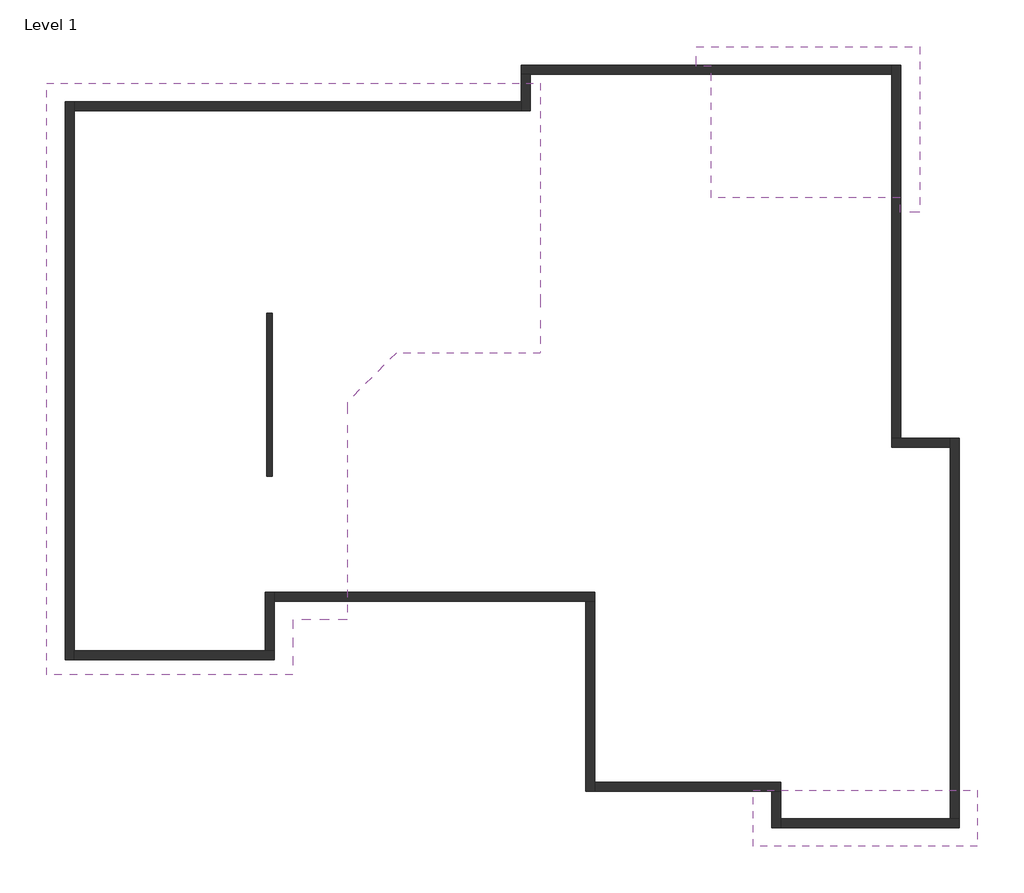
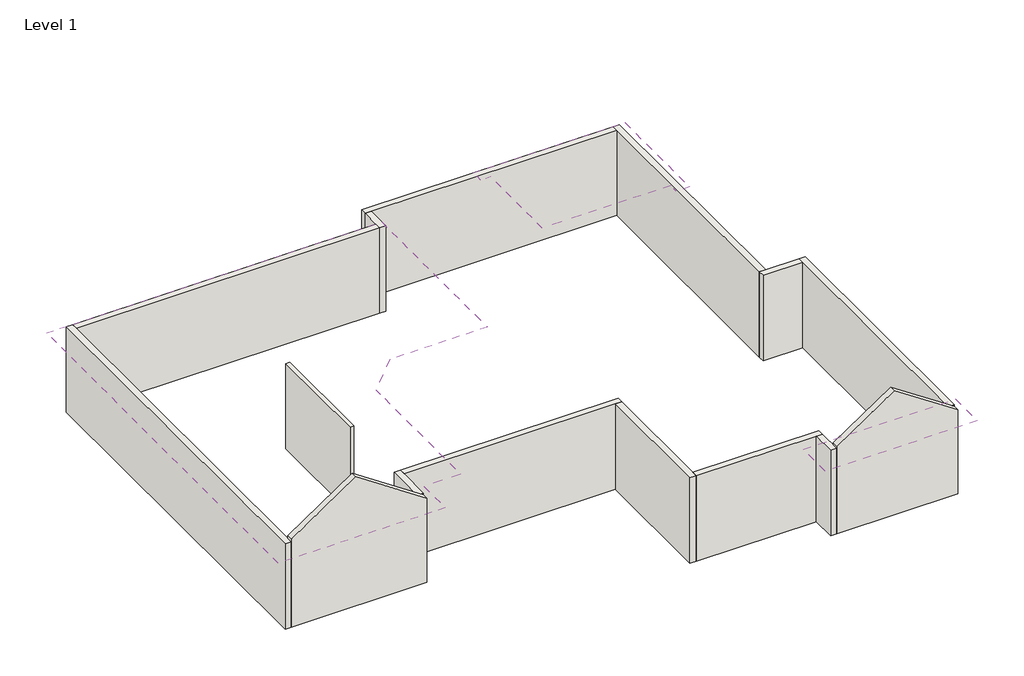
# One storey: 15 walls, 3 roofs.
"""IFC4 building model written with IfcOpenShell, lengths in millimetres."""

from ifc_helpers import new_model, si_unit, frame, origin, origin_with_axes, place, context, project, spatial, polyline, outline, extrude, faceted_brep, element, save

model = new_model("IFC4")

# Units and contexts
model_context = context("Model", 3, world=origin())
ifc_project = project(units=[si_unit("LENGTHUNIT", "METRE", prefix="MILLI")], contexts=[model_context])

# Site, building, storey
site = spatial("IfcSite", under=ifc_project)
building = spatial("IfcBuilding", under=site)
storey = spatial("IfcBuildingStorey", under=building, Name="Level 1", Elevation=0.0)

# Roofs
placement = place(None, origin())
element("IfcRoof", 1, ObjectType="Generic - 12\"", at=placement, inside=storey, context=model_context, shape_type="Brep", body=[
    faceted_brep([(5819.76631, -5743.1064868, 4177.2372995), (3254.36631, -5743.1064868, 2466.975), (3254.36631, 6577.4810132, 2466.975), (8842.36631, 989.4810132, 6192.2988206), (5819.76631, -2033.1189868, 4177.2372995), (8385.16631, -4598.5189868, 2466.975), (8385.16631, -5743.1064868, 2466.975), (3254.36631, -5743.1064868, 2833.2987218), (5819.76631, -5743.1064868, 4543.5610212), (5819.76631, -2033.1189868, 4543.5610212), (8842.36631, 989.4810132, 6558.6225424), (3254.36631, 6577.4810132, 2833.2987218), (8385.16631, -5743.1064868, 2833.2987218), (8385.16631, -4598.5189868, 2833.2987218), (9515.46631, -4598.5189868, 2466.975), (9515.46631, -68.0478077, 5487.281407), (9515.46631, -68.0478077, 5535.0825766), (9515.46631, -545.8328558, 5535.0825766), (9515.46631, -4598.5189868, 2833.2987218), (9951.8062075, 989.4810132, 6192.2988206), (9070.96631, 108.6411157, 5605.0737218), (9070.96631, -440.8458701, 5238.75), (10498.1235017, 986.3113216, 6190.1856982), (13539.77881, 986.3113216, 6190.1856982), (13539.77881, 952.9685132, 6167.9572161), (10536.4826309, 952.9685132, 6167.9572161), (13539.77881, 6577.4810132, 2466.975), (13539.77881, 1633.9953965, 5762.6236623), (12753.96631, 2419.8078965, 5238.75), (12753.96631, 2413.4685132, 5242.9762447), (9070.96631, 2413.4685132, 5242.9762447), (9070.96631, 1870.3209107, 5605.0737218), (9070.96631, -990.3328558, 5238.75), (9070.96631, -440.8458701, 5605.0737218), (10498.1235017, 986.3113216, 6556.50942), (13539.77881, 986.3113216, 6556.50942), (13539.77881, 989.4810132, 6558.6225424), (13539.77881, 1633.9953965, 6128.947384), (12753.96631, 2419.8078965, 5605.0737218), (12753.96631, 2969.2948823, 5238.75), (13539.77881, 2183.4823823, 5762.6236623), (13539.77881, 6577.4810132, 2833.2987218), (13539.77881, 952.9685132, 6212.4141804), (13539.77881, 1627.6560132, 6128.947384), (10533.9744705, 950.4603528, 6214.0862831), (12753.96631, 2413.4685132, 5605.0737218), (9070.96631, 2413.4685132, 5605.0737218), (10536.4826309, 952.9685132, 6212.4141804)], [[[0, 1, 2, 3, 4]], [[0, 4, 5, 6]], [[7, 8, 9, 10, 11]], [[9, 8, 12, 13]], [[13, 12, 6, 5]], [[7, 11, 2, 1]], [[1, 0, 6, 12, 8, 7]], [[14, 15, 16, 17, 18]], [[15, 14, 5, 4, 3, 19, 20, 21, 22, 23, 24, 25]], [[3, 2, 26, 27, 28, 29, 30, 31, 19]], [[13, 18, 17, 32, 33, 34, 35, 36, 10, 9]], [[11, 10, 36, 37, 38, 39, 40, 41]], [[13, 5, 14, 18]], [[11, 41, 26, 2]], [[26, 41, 40, 27]], [[24, 23, 42]], [[36, 35, 43, 37]], [[39, 28, 27, 40]], [[21, 32, 17, 16, 44, 22]], [[45, 38, 37, 43]], [[31, 46, 34, 33, 20, 19]], [[38, 45, 29, 28, 39]], [[46, 31, 30]], [[20, 33, 32, 21]], [[22, 44, 47, 42, 23]], [[46, 45, 43, 35, 34]], [[45, 46, 30, 29]], [[15, 25, 47, 44, 16]], [[25, 24, 42, 47]]]),
])
element("IfcRoof", 2, ObjectType="Generic - 12\"", at=placement, inside=storey, context=model_context, shape_type="SweptSolid", body=[
    extrude(outline(polyline([(2833.2987218, 22647.26631), (4391.1614104, 20310.46631), (2833.2987218, 17973.66631), (2466.975, 17973.66631), (4024.8376886, 20310.46631), (2466.975, 22647.26631), (2833.2987218, 22647.26631)])), frame((0.0, -9322.9189868, 0.0), z_axis=(0.0, 1.0, 0.0), x_axis=(0.0, 0.0, 1.0)), (0.0, 0.0, 1.0), 1168.4),
])
element("IfcRoof", 3, ObjectType="Generic - 12\"", at=placement, inside=storey, context=model_context, shape_type="Brep", body=[
    faceted_brep([(18294.34131, 4193.0560132, 4564.5863104), (17097.36631, 4193.0560132, 4564.5863104), (17097.36631, 6933.0810132, 2737.9076415), (16792.56631, 6933.0810132, 2737.9076415), (16792.56631, 7339.4810132, 2466.975), (21440.76631, 7339.4810132, 2466.975), (21034.36631, 3888.2560132, 2737.9076415), (21034.36631, 4193.0560132, 2737.9076415), (21440.76631, 3888.2560132, 2466.975), (17097.36631, 4193.0560132, 4930.9100321), (18294.34131, 4193.0560132, 4930.9100321), (21440.76631, 7339.4810132, 2833.2987218), (16792.56631, 7339.4810132, 2833.2987218), (16792.56631, 6933.0810132, 3104.2313633), (17097.36631, 6933.0810132, 3104.2313633), (21034.36631, 4193.0560132, 3104.2313633), (21034.36631, 3888.2560132, 3104.2313633), (21440.76631, 3888.2560132, 2833.2987218)], [[[0, 1, 2, 3, 4, 5]], [[6, 7, 0, 5, 8]], [[9, 10, 11, 12, 13, 14]], [[15, 16, 17, 11, 10]], [[5, 11, 17, 8]], [[4, 12, 11, 5]], [[15, 10, 9, 1, 0, 7]], [[9, 14, 2, 1]], [[13, 12, 4, 3]], [[14, 13, 3, 2]], [[16, 15, 7, 6]], [[17, 16, 6, 8]]]),
])

# Walls
element("IfcWall", 4, ObjectType="2x6 Exterior with Vinyl Siding", at=placement, inside=storey, context=model_context, shape_type="Brep", body=[
    faceted_brep([(3641.71631, 6190.1310132, 0.0), (3641.71631, -5430.3689868, 0.0), (3641.71631, -5430.3689868, 2771.775), (3641.71631, 6190.1310132, 2771.775), (3829.04131, 6190.1310132, 0.0), (3829.04131, 6190.1310132, 2771.775), (3829.04131, 6002.8060132, 2771.775), (3829.04131, -5430.3689868, 2771.775), (3829.04131, -5430.3689868, 0.0), (3829.04131, -5243.0439868, 0.0), (3829.04131, 6002.8060132, 0.0)], [[[0, 1, 2, 3]], [[4, 5, 6, 7, 8, 9, 10]], [[1, 0, 4, 10, 9, 8]], [[3, 2, 7, 6, 5]], [[2, 1, 8, 7]], [[0, 3, 5, 4]]]),
])
element("IfcWall", 5, ObjectType="2x6 Exterior with Vinyl Siding", at=placement, inside=storey, context=model_context, shape_type="Brep", body=[
    faceted_brep([(3829.04131, -5430.3689868, 0.0), (7997.81631, -5430.3689868, 0.0), (7997.81631, -5430.3689868, 2725.2076739), (5819.76631, -5430.3689868, 4177.2372995), (3829.04131, -5430.3689868, 2850.0906884), (3829.04131, -5430.3689868, 2771.775), (3829.04131, -5243.0439868, 0.0), (3829.04131, -5243.0439868, 2850.0906884), (5819.76631, -5243.0439868, 4177.2372995), (7997.81631, -5243.0439868, 2725.2076739), (7997.81631, -5243.0439868, 0.0), (7810.49131, -5243.0439868, 0.0)], [[[0, 1, 2, 3, 4, 5]], [[6, 7, 8, 9, 10, 11]], [[1, 0, 6, 11, 10]], [[0, 5, 4, 7, 6]], [[2, 1, 10, 9]], [[4, 3, 8, 7]], [[3, 2, 9, 8]]]),
])
element("IfcWall", 6, ObjectType="2x6 Exterior with Vinyl Siding", at=placement, inside=storey, context=model_context, shape_type="Brep", body=[
    faceted_brep([(7997.81631, -5243.0439868, 0.0), (7997.81631, -4211.1689868, 0.0), (7997.81631, -4023.8439868, 0.0), (7997.81631, -4023.8439868, 2771.775), (7997.81631, -4211.1689868, 2771.775), (7997.81631, -5243.0439868, 2771.775), (7997.81631, -5243.0439868, 2725.2076739), (7810.49131, -5243.0439868, 0.0), (7810.49131, -5243.0439868, 2771.775), (7810.49131, -4023.8439868, 2771.775), (7810.49131, -4023.8439868, 0.0)], [[[0, 1, 2, 3, 4, 5, 6]], [[7, 8, 9, 10]], [[2, 1, 0, 7, 10]], [[5, 4, 3, 9, 8]], [[0, 6, 5, 8, 7]], [[3, 2, 10, 9]]]),
])
element("IfcWall", 7, ObjectType="2x6 Exterior with Vinyl Siding", at=placement, inside=storey, context=model_context, shape_type="Brep", body=[
    faceted_brep([(7997.81631, -4211.1689868, 0.0), (14487.51631, -4211.1689868, 0.0), (14674.84131, -4211.1689868, 0.0), (14674.84131, -4211.1689868, 2771.775), (14487.51631, -4211.1689868, 2771.775), (7997.81631, -4211.1689868, 2771.775), (7997.81631, -4023.8439868, 0.0), (7997.81631, -4023.8439868, 2771.775), (14674.84131, -4023.8439868, 2771.775), (14674.84131, -4023.8439868, 0.0)], [[[0, 1, 2, 3, 4, 5]], [[6, 7, 8, 9]], [[2, 1, 0, 6, 9]], [[5, 4, 3, 8, 7]], [[0, 5, 7, 6]], [[3, 2, 9, 8]]]),
])
element("IfcWall", 8, ObjectType="2x6 Exterior with Vinyl Siding", at=placement, inside=storey, context=model_context, shape_type="Brep", body=[
    faceted_brep([(14487.51631, -4211.1689868, 0.0), (14487.51631, -8173.5689868, 0.0), (14487.51631, -8173.5689868, 2771.775), (14487.51631, -4211.1689868, 2771.775), (14674.84131, -4211.1689868, 0.0), (14674.84131, -4211.1689868, 2771.775), (14674.84131, -7986.2439868, 2771.775), (14674.84131, -8173.5689868, 2771.775), (14674.84131, -8173.5689868, 0.0), (14674.84131, -7986.2439868, 0.0)], [[[0, 1, 2, 3]], [[4, 5, 6, 7, 8, 9]], [[1, 0, 4, 9, 8]], [[3, 2, 7, 6, 5]], [[0, 3, 5, 4]], [[2, 1, 8, 7]]]),
])
element("IfcWall", 9, ObjectType="2x6 Exterior with Vinyl Siding", at=placement, inside=storey, context=model_context, shape_type="Brep", body=[
    faceted_brep([(14674.84131, -8173.5689868, 0.0), (18361.01631, -8173.5689868, 0.0), (18548.34131, -8173.5689868, 0.0), (18548.34131, -8173.5689868, 2771.775), (18361.01631, -8173.5689868, 2771.775), (14674.84131, -8173.5689868, 2771.775), (14674.84131, -7986.2439868, 0.0), (14674.84131, -7986.2439868, 2771.775), (18548.34131, -7986.2439868, 2771.775), (18548.34131, -7986.2439868, 0.0)], [[[0, 1, 2, 3, 4, 5]], [[6, 7, 8, 9]], [[2, 1, 0, 6, 9]], [[5, 4, 3, 8, 7]], [[0, 5, 7, 6]], [[3, 2, 9, 8]]]),
])
element("IfcWall", 10, ObjectType="2x6 Exterior with Vinyl Siding", at=placement, inside=storey, context=model_context, shape_type="Brep", body=[
    faceted_brep([(18361.01631, -8173.5689868, 0.0), (18361.01631, -8935.5689868, 0.0), (18361.01631, -8935.5689868, 2771.775), (18361.01631, -8173.5689868, 2771.775), (18548.34131, -8173.5689868, 0.0), (18548.34131, -8173.5689868, 2771.775), (18548.34131, -8935.5689868, 2771.775), (18548.34131, -8935.5689868, 0.0), (18548.34131, -8748.2439868, 0.0)], [[[0, 1, 2, 3]], [[4, 5, 6, 7, 8]], [[1, 0, 4, 8, 7]], [[3, 2, 6, 5]], [[0, 3, 5, 4]], [[2, 1, 7, 6]]]),
])
element("IfcWall", 11, ObjectType="2x6 Exterior with Vinyl Siding", at=placement, inside=storey, context=model_context, shape_type="Brep", body=[
    faceted_brep([(18548.34131, -8935.5689868, 0.0), (22272.61631, -8935.5689868, 0.0), (22272.61631, -8935.5689868, 2716.7410289), (20310.46631, -8935.5689868, 4024.8376886), (18548.34131, -8935.5689868, 2850.0906884), (18548.34131, -8935.5689868, 2771.775), (18548.34131, -8748.2439868, 0.0), (18548.34131, -8748.2439868, 2850.0906884), (20310.46631, -8748.2439868, 4024.8376886), (22272.61631, -8748.2439868, 2716.7410289), (22272.61631, -8748.2439868, 0.0), (22085.29131, -8748.2439868, 0.0)], [[[0, 1, 2, 3, 4, 5]], [[6, 7, 8, 9, 10, 11]], [[1, 0, 6, 11, 10]], [[0, 5, 4, 7, 6]], [[2, 1, 10, 9]], [[4, 3, 8, 7]], [[3, 2, 9, 8]]]),
])
element("IfcWall", 12, ObjectType="2x6 Exterior with Vinyl Siding", at=placement, inside=storey, context=model_context, shape_type="Brep", body=[
    faceted_brep([(22272.61631, -8748.2439868, 0.0), (22272.61631, -820.2689868, 0.0), (22272.61631, -820.2689868, 2771.775), (22272.61631, -8748.2439868, 2771.775), (22272.61631, -8748.2439868, 2716.7410289), (22085.29131, -8748.2439868, 0.0), (22085.29131, -8748.2439868, 2771.775), (22085.29131, -1007.5939868, 2771.775), (22085.29131, -820.2689868, 2771.775), (22085.29131, -820.2689868, 0.0), (22085.29131, -1007.5939868, 0.0)], [[[0, 1, 2, 3, 4]], [[5, 6, 7, 8, 9, 10]], [[1, 0, 5, 10, 9]], [[3, 2, 8, 7, 6]], [[0, 4, 3, 6, 5]], [[2, 1, 9, 8]]]),
])
element("IfcWall", 13, ObjectType="2x6 Exterior with Vinyl Siding", at=placement, inside=storey, context=model_context, shape_type="Brep", body=[
    faceted_brep([(22085.29131, -820.2689868, 0.0), (21053.41631, -820.2689868, 0.0), (20866.09131, -820.2689868, 0.0), (20866.09131, -820.2689868, 2771.775), (21053.41631, -820.2689868, 2771.775), (22085.29131, -820.2689868, 2771.775), (22085.29131, -1007.5939868, 0.0), (22085.29131, -1007.5939868, 2771.775), (20866.09131, -1007.5939868, 2771.775), (20866.09131, -1007.5939868, 0.0)], [[[0, 1, 2, 3, 4, 5]], [[6, 7, 8, 9]], [[2, 1, 0, 6, 9]], [[5, 4, 3, 8, 7]], [[0, 5, 7, 6]], [[3, 2, 9, 8]]]),
])
element("IfcWall", 14, ObjectType="2x6 Exterior with Vinyl Siding", at=placement, inside=storey, context=model_context, shape_type="Brep", body=[
    faceted_brep([(21053.41631, -820.2689868, 0.0), (21053.41631, 6952.1310132, 0.0), (21053.41631, 6952.1310132, 2771.775), (21053.41631, -820.2689868, 2771.775), (20866.09131, -820.2689868, 0.0), (20866.09131, -820.2689868, 2771.775), (20866.09131, 6764.8060132, 2771.775), (20866.09131, 6952.1310132, 2771.775), (20866.09131, 6952.1310132, 0.0), (20866.09131, 6764.8060132, 0.0)], [[[0, 1, 2, 3]], [[4, 5, 6, 7, 8, 9]], [[1, 0, 4, 9, 8]], [[3, 2, 7, 6, 5]], [[0, 3, 5, 4]], [[2, 1, 8, 7]]]),
])
element("IfcWall", 15, ObjectType="2x6 Exterior with Vinyl Siding", at=placement, inside=storey, context=model_context, shape_type="Brep", body=[
    faceted_brep([(20866.09131, 6952.1310132, 0.0), (13141.31631, 6952.1310132, 0.0), (13141.31631, 6952.1310132, 2771.775), (20866.09131, 6952.1310132, 2771.775), (20866.09131, 6764.8060132, 0.0), (20866.09131, 6764.8060132, 2771.775), (13328.64131, 6764.8060132, 2771.775), (13141.31631, 6764.8060132, 2771.775), (13141.31631, 6764.8060132, 0.0), (13328.64131, 6764.8060132, 0.0)], [[[0, 1, 2, 3]], [[4, 5, 6, 7, 8, 9]], [[1, 0, 4, 9, 8]], [[3, 2, 7, 6, 5]], [[0, 3, 5, 4]], [[2, 1, 8, 7]]]),
])
element("IfcWall", 16, ObjectType="2x6 Exterior with Vinyl Siding", at=placement, inside=storey, context=model_context, shape_type="Brep", body=[
    faceted_brep([(13141.31631, 6764.8060132, 0.0), (13141.31631, 6190.1310132, 0.0), (13141.31631, 6002.8060132, 0.0), (13141.31631, 6002.8060132, 2771.775), (13141.31631, 6190.1310132, 2771.775), (13141.31631, 6764.8060132, 2771.775), (13328.64131, 6764.8060132, 0.0), (13328.64131, 6764.8060132, 2771.775), (13328.64131, 6002.8060132, 2771.775), (13328.64131, 6002.8060132, 0.0)], [[[0, 1, 2, 3, 4, 5]], [[6, 7, 8, 9]], [[2, 1, 0, 6, 9]], [[5, 4, 3, 8, 7]], [[0, 5, 7, 6]], [[3, 2, 9, 8]]]),
])
element("IfcWall", 17, ObjectType="2x6 Exterior with Vinyl Siding", at=placement, inside=storey, context=model_context, shape_type="SweptSolid", body=[
    extrude(outline(polyline([(3829.04131, 6190.1310132), (13141.31631, 6190.1310132), (13141.31631, 6002.8060132), (3829.04131, 6002.8060132), (3829.04131, 6190.1310132)])), origin_with_axes(), (0.0, 0.0, 1.0), 2771.775),
])
element("IfcWall", 18, ObjectType="Interior 3.5 with .5 each side", at=placement, inside=storey, context=model_context, shape_type="SweptSolid", body=[
    extrude(outline(polyline([(7953.36631, 1789.0679155), (7953.36631, -1614.5320845), (7839.06631, -1614.5320845), (7839.06631, 1789.0679155), (7953.36631, 1789.0679155)])), origin_with_axes(), (0.0, 0.0, 1.0), 2771.775),
])

save(model, "model.ifc")
